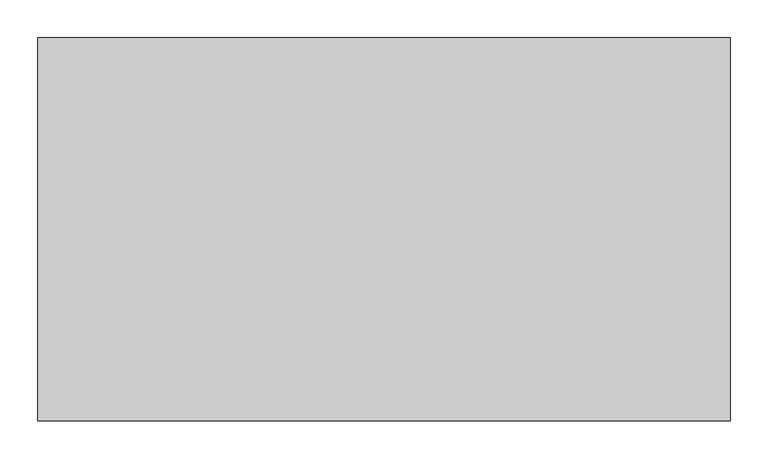
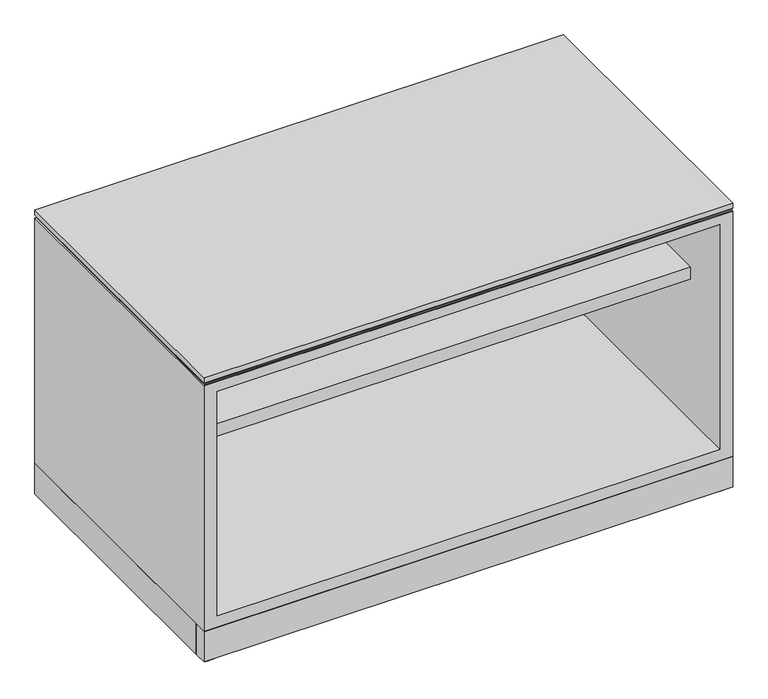
"""IFC4 building model written with IfcOpenShell, lengths in millimetres: furniture geometry."""

import ifcopenshell
import ifcopenshell.guid

model = None  # the IFC model being written
_history = None  # IfcOwnerHistory: only IFC2X3 demands one
_inside = {}  # id of a spatial element -> (the spatial element, [elements in it])
_under = {}  # id of a project, library or spatial element -> (it, [spatial elements below it])
_declared = {}  # id of a project -> (the project, [libraries it declares])
_typed = {}  # id of a type object -> (the type object, [elements of that type])
_made_of = {}  # id of a material, layer set ... -> (it, [elements and type objects made of it])


def new_model(schema):
    """Start an empty IFC model of exactly this schema.

    Asked for "IFC4X3", IfcOpenShell would pick the latest addendum, in which some entities
    have other attributes; the version numbers below select the first issue.
    IFC2X3 requires an IfcOwnerHistory on every rooted entity: one is made here for all.
    """
    global model, _history
    if schema == "IFC4X3":
        model = ifcopenshell.file(schema_version=(4, 3, 0, 0))
    else:
        model = ifcopenshell.file(schema=schema)
    _inside.clear()
    _under.clear()
    _declared.clear()
    _typed.clear()
    _made_of.clear()
    _history = None
    if model.schema == "IFC2X3":
        org = make("IfcOrganization", Name="unknown")
        user = make(
            "IfcPersonAndOrganization",
            ThePerson=make("IfcPerson", FamilyName="unknown"),
            TheOrganization=org,
        )
        app = make(
            "IfcApplication",
            ApplicationDeveloper=org,
            Version="unknown",
            ApplicationFullName="unknown",
            ApplicationIdentifier="unknown",
        )
        _history = make(
            "IfcOwnerHistory",
            OwningUser=user,
            OwningApplication=app,
            ChangeAction="ADDED",
            CreationDate=0,
        )
    return model


def make(cls, **values):
    """One entity of the class cls with the attributes given. An attribute that is None is left unset."""
    return model.create_entity(
        cls, **{name: value for name, value in values.items() if value is not None}
    )


def rooted(cls, **values):
    """An entity with a GlobalId (a new one), such as an element, a storey or a relation."""
    return make(cls, GlobalId=ifcopenshell.guid.new(), OwnerHistory=_history, **values)


def si_unit(unit_type, name, prefix=None):
    """IfcSIUnit, for example si_unit("LENGTHUNIT", "METRE", prefix="MILLI")."""
    return make("IfcSIUnit", UnitType=unit_type, Prefix=prefix, Name=name)


def assignment(units):
    """IfcUnitAssignment: the units of a project."""
    return None if units is None else make("IfcUnitAssignment", Units=units)


def point(xyz):
    """IfcCartesianPoint."""
    return None if xyz is None else make("IfcCartesianPoint", Coordinates=xyz)


def direction(xyz):
    """IfcDirection."""
    return None if xyz is None else make("IfcDirection", DirectionRatios=xyz)


def frame(location, z_axis=None, x_axis=None):
    """IfcAxis2Placement3D, a coordinate frame: its origin and axes. An axis left out is left unset."""
    return make(
        "IfcAxis2Placement3D",
        Location=point(location),
        Axis=direction(z_axis),
        RefDirection=direction(x_axis),
    )


def origin():
    """The frame at (0, 0, 0) with its axes left unset."""
    return frame((0.0, 0.0, 0.0))


def origin_with_axes():
    """The frame at (0, 0, 0) with the z axis (0, 0, 1) and the x axis (1, 0, 0) written out."""
    return frame((0.0, 0.0, 0.0), z_axis=(0.0, 0.0, 1.0), x_axis=(1.0, 0.0, 0.0))


def place(relative_to, where):
    """IfcLocalPlacement: puts the frame where relative to a parent placement (None: the world)."""
    return make(
        "IfcLocalPlacement", PlacementRelTo=relative_to, RelativePlacement=where
    )


def context(
    kind, dimensions, precision=None, world=None, true_north=None, identifier=None
):
    """IfcGeometricRepresentationContext, for example the 3D "Model" context."""
    return make(
        "IfcGeometricRepresentationContext",
        ContextIdentifier=identifier,
        ContextType=kind,
        CoordinateSpaceDimension=dimensions,
        Precision=precision,
        WorldCoordinateSystem=world,
        TrueNorth=true_north,
    )


def project(units=None, contexts=None):
    """IfcProject with its units and contexts."""
    return rooted(
        "IfcProject",
        Name="project",
        RepresentationContexts=contexts,
        UnitsInContext=assignment(units),
    )


def spatial(cls, under=None, at=None, **own):
    """A site, building, storey or space (cls), placed at a placement, below another one or the project."""
    s = rooted(cls, ObjectPlacement=at, **own)
    if under is not None:
        _under.setdefault(under.id(), (under, []))[1].append(s)
    return s


def polyline(points):
    """IfcPolyline through the points."""
    return make("IfcPolyline", Points=[point(p) for p in points])


def outline(outer, holes=None, kind="AREA"):
    """IfcArbitraryClosedProfileDef: a profile drawn as a closed curve; with holes, ...WithVoids."""
    if holes is None:
        return make("IfcArbitraryClosedProfileDef", ProfileType=kind, OuterCurve=outer)
    return make(
        "IfcArbitraryProfileDefWithVoids",
        ProfileType=kind,
        OuterCurve=outer,
        InnerCurves=holes,
    )


def extrude(swept, where, along, depth):
    """IfcExtrudedAreaSolid: the profile swept, set in the frame where, extruded along a direction by depth."""
    return make(
        "IfcExtrudedAreaSolid",
        SweptArea=swept,
        Position=where,
        ExtrudedDirection=direction(along),
        Depth=depth,
    )


def faces_of(points, faces, orient=None, outer=None):
    """IfcFace entities. A face is a list of loops; a loop is a list of indices into points, from 0.

    orient and outer hold one flag for each loop. By default every Orientation is true, the
    first loop of a face is its IfcFaceOuterBound and the others are IfcFaceBound.
    """
    made = []
    for i, loops in enumerate(faces):
        bounds = []
        for j, loop in enumerate(loops):
            is_outer = j == 0 if outer is None else outer[i][j]
            bounds.append(
                make(
                    "IfcFaceOuterBound" if is_outer else "IfcFaceBound",
                    Bound=make("IfcPolyLoop", Polygon=[points[k] for k in loop]),
                    Orientation=True if orient is None else orient[i][j],
                )
            )
        made.append(make("IfcFace", Bounds=bounds))
    return made


def faceted_brep(points, faces, orient=None, outer=None, voids=None):
    """IfcFacetedBrep: a solid bounded by flat faces; with voids (closed shells), ...WithVoids."""
    shared = [point(p) for p in points]
    hull = make("IfcClosedShell", CfsFaces=faces_of(shared, faces, orient, outer))
    if voids is None:
        return make("IfcFacetedBrep", Outer=hull)
    return make(
        "IfcFacetedBrepWithVoids",
        Outer=hull,
        Voids=[
            make(cls, CfsFaces=faces_of(shared, fs, o, b)) for cls, fs, o, b in voids
        ],
    )


def shape(context_of_items, identifier, shape_type, items):
    """IfcShapeRepresentation: the items that make up one representation, for example the "Body"."""
    return make(
        "IfcShapeRepresentation",
        ContextOfItems=context_of_items,
        RepresentationIdentifier=identifier,
        RepresentationType=shape_type,
        Items=items,
    )


def source(mapping_origin, context_of_items, identifier, shape_type, items):
    """IfcRepresentationMap: a shape defined once, which mapped items show again and again."""
    return make(
        "IfcRepresentationMap",
        MappingOrigin=mapping_origin,
        MappedRepresentation=shape(context_of_items, identifier, shape_type, items),
    )


def transform(
    local_origin,
    x_axis=None,
    y_axis=None,
    z_axis=None,
    scale=None,
    scale2=None,
    scale3=None,
    uniform=True,
):
    """IfcCartesianTransformationOperator3D, or its non-uniform kind. x_axis, y_axis, z_axis: its Axis1, 2, 3."""
    if uniform:
        return make(
            "IfcCartesianTransformationOperator3D",
            Axis1=direction(x_axis),
            Axis2=direction(y_axis),
            LocalOrigin=point(local_origin),
            Scale=scale,
            Axis3=direction(z_axis),
        )
    return make(
        "IfcCartesianTransformationOperator3DnonUniform",
        Axis1=direction(x_axis),
        Axis2=direction(y_axis),
        LocalOrigin=point(local_origin),
        Scale=scale,
        Axis3=direction(z_axis),
        Scale2=scale2,
        Scale3=scale3,
    )


def mapped(mapping_source, mapping_target):
    """IfcMappedItem: shows the shape of a source again, moved by a transform."""
    return make(
        "IfcMappedItem", MappingSource=mapping_source, MappingTarget=mapping_target
    )


def made_of(thing, what):
    """Note that an element or type object is made of a material, layer set ...; save() writes the relation."""
    if what is not None:
        _made_of.setdefault(what.id(), (what, []))[1].append(thing)
    return thing


def element(
    cls,
    number,
    at=None,
    inside=None,
    cuts=None,
    type_object=None,
    material=None,
    context=None,
    identifier="Body",
    shape_type=None,
    held_by="IfcProductDefinitionShape",
    body=None,
    shapes=None,
    **own,
):
    """One element of the class cls, such as IfcWall. Its Tag is "e" and its number.

    at: its placement. inside: the storey or other place that contains it. cuts: it is an
    opening in that element (IfcRelVoidsElement). A single representation is given by context,
    identifier, shape_type and body (its items); several are given by shapes. held_by: the class
    of the entity that holds the representations. save() writes the other relations.
    """
    e = rooted(cls, Tag="e%d" % number, ObjectPlacement=at, **own)
    if body is not None:
        shapes = [shape(context, identifier, shape_type, body)]
    if shapes is not None:
        e.Representation = make(held_by, Representations=shapes)
    if inside is not None:
        _inside.setdefault(inside.id(), (inside, []))[1].append(e)
    if cuts is not None:
        rooted(
            "IfcRelVoidsElement", RelatingBuildingElement=cuts, RelatedOpeningElement=e
        )
    if type_object is not None:
        _typed.setdefault(type_object.id(), (type_object, []))[1].append(e)
    return made_of(e, material)


def aggregate(whole, parts):
    """IfcRelAggregates: a whole, such as a stair, and the parts it consists of."""
    return rooted("IfcRelAggregates", RelatingObject=whole, RelatedObjects=parts)


def save(model, path):
    """Write the relations noted so far, then the file.

    IfcRelAggregates (storeys below a building ...), IfcRelContainedInSpatialStructure (elements
    in a storey), IfcRelDefinesByType, IfcRelAssociatesMaterial and IfcRelDeclares: one each for
    every whole, place, type object, material and project.
    """
    for whole, parts in _under.values():
        aggregate(whole, parts)
    for where, things in _inside.values():
        rooted(
            "IfcRelContainedInSpatialStructure",
            RelatedElements=things,
            RelatingStructure=where,
        )
    for kind, things in _typed.values():
        rooted("IfcRelDefinesByType", RelatedObjects=things, RelatingType=kind)
    for what, things in _made_of.values():
        rooted("IfcRelAssociatesMaterial", RelatedObjects=things, RelatingMaterial=what)
    for by, libraries in _declared.values():
        rooted("IfcRelDeclares", RelatingContext=by, RelatedDefinitions=libraries)
    model.write(path)


def furniture_88f04772(model_context):
    return source(origin(), model_context, "Body", "SolidModel", [
        extrude(outline(polyline([(21.2979, -5.715), (21.2979, -52.197), (6.5659, -52.197), (6.5659, -5.715), (21.2979, -5.715)])), origin_with_axes(), (0.0, 0.0, 1.0), 17.399),
        extrude(outline(polyline([(907.8341, -5.715), (907.8341, -52.197), (893.1021, -52.197), (893.1021, -5.715), (907.8341, -5.715)])), origin_with_axes(), (0.0, 0.0, 1.0), 17.399),
        extrude(outline(polyline([(907.8341, -456.057), (907.8341, -502.539), (893.1021, -502.539), (893.1021, -456.057), (907.8341, -456.057)])), origin_with_axes(), (0.0, 0.0, 1.0), 17.399),
        extrude(outline(polyline([(21.2979, -456.057), (21.2979, -502.539), (6.5659, -502.539), (6.5659, -456.057), (21.2979, -456.057)])), origin_with_axes(), (0.0, 0.0, 1.0), 17.399),
        extrude(outline(polyline([(912.114, -504.444), (3.8735, -504.444), (3.8735, -2.3114), (912.114, -2.3114), (912.114, -504.444)])), frame((0.0, 0.0, 506.4252), z_axis=(0.0, 0.0, 1.0), x_axis=(1.0, 0.0, 0.0)), (0.0, 0.0, 1.0), 1.905),
        extrude(outline(polyline([(912.8125, -483.2858), (912.8125, -506.349), (1.5875, -506.349), (1.5875, -483.2858), (912.8125, -483.2858)])), frame((0.0, 0.0, 3.5814), z_axis=(0.0, 0.0, 1.0), x_axis=(1.0, 0.0, 0.0)), (0.0, 0.0, 1.0), 55.1688),
        extrude(outline(polyline([(46.1772, -27.7114), (61.8363, -36.7521856), (61.8363, -54.8337568), (46.1772, -63.8745424), (30.5181, -54.8337568), (30.5181, -36.7521856), (46.1772, -27.7114)])), origin_with_axes(), (0.0, 0.0, 1.0), 8.4328),
        extrude(outline(polyline([(46.1772, -480.1616), (30.5181, -471.1208144), (30.5181, -453.0392432), (46.1772, -443.9984576), (61.8363, -453.0392432), (61.8363, -471.1208144), (46.1772, -480.1616)])), origin_with_axes(), (0.0, 0.0, 1.0), 8.4328),
        extrude(outline(polyline([(868.2228, -27.7114), (883.8819, -36.7521856), (883.8819, -54.8337568), (868.2228, -63.8745424), (852.5637, -54.8337568), (852.5637, -36.7521856), (868.2228, -27.7114)])), origin_with_axes(), (0.0, 0.0, 1.0), 8.4328),
        extrude(outline(polyline([(868.2228, -480.1616), (852.5637, -471.1208144), (852.5637, -453.0392432), (868.2228, -443.9984576), (883.8819, -453.0392432), (883.8819, -471.1208144), (868.2228, -480.1616)])), origin_with_axes(), (0.0, 0.0, 1.0), 8.4328),
        extrude(outline(polyline([(912.8125, -506.349), (1.5875, -506.349), (1.5875, -1.524), (912.8125, -1.524), (912.8125, -506.349)])), frame((0.0, 0.0, 511.5052), z_axis=(0.0, 0.0, 1.0), x_axis=(1.0, 0.0, 0.0)), (0.0, 0.0, 1.0), 9.525),
        extrude(outline(polyline([(890.5875, -419.2524), (23.8125, -419.2524), (23.8125, -23.749), (890.5875, -23.749), (890.5875, -419.2524)])), frame((0.0, 0.0, 336.7532), z_axis=(0.0, 0.0, 1.0), x_axis=(1.0, 0.0, 0.0)), (0.0, 0.0, 1.0), 22.225),
        extrude(outline(polyline([(912.8125, -1.524), (912.8125, -483.2858), (1.5875, -483.2858), (1.5875, -1.524), (912.8125, -1.524)])), frame((0.0, 0.0, 3.5814), z_axis=(0.0, 0.0, 1.0), x_axis=(1.0, 0.0, 0.0)), (0.0, 0.0, 1.0), 55.1688),
        faceted_brep([(912.8125, -506.349, 506.4252), (1.5875, -506.349, 506.4252), (1.5875, -506.349, 58.7502), (912.8125, -506.349, 58.7502), (23.8125, -506.349, 488.95), (890.5875, -506.349, 488.95), (890.5875, -506.349, 79.4004), (23.8125, -506.349, 79.4004), (912.8125, -1.524, 506.4252), (912.8125, -1.524, 58.7502), (1.5875, -1.524, 58.7502), (1.5875, -1.524, 506.4252), (890.5875, -23.749, 488.95), (23.8125, -23.749, 488.95), (23.8125, -23.749, 79.4004), (890.5875, -23.749, 79.4004)], [[[0, 1, 2, 3], [4, 5, 6, 7]], [[8, 9, 10, 11]], [[1, 0, 8, 11]], [[2, 1, 11, 10]], [[3, 2, 10, 9]], [[0, 3, 9, 8]], [[12, 13, 14, 15]], [[13, 12, 5, 4]], [[14, 13, 4, 7]], [[15, 14, 7, 6]], [[12, 15, 6, 5]]]),
    ])


if __name__ == "__main__":
    model = new_model("IFC4")
    model_context = context("Model", 3, world=origin())
    ifc_project = project(units=[si_unit("LENGTHUNIT", "METRE", prefix="MILLI")], contexts=[model_context])
    site = spatial("IfcSite", under=ifc_project)
    building = spatial("IfcBuilding", under=site)
    placement = place(None, origin())
    furniture_shape = furniture_88f04772(model_context)
    element("IfcFurniture", 1, at=placement, inside=building, context=model_context, shape_type="MappedRepresentation", body=[
        mapped(furniture_shape, transform((0.0, 0.0, 0.0), x_axis=(1.0, 0.0, 0.0), y_axis=(0.0, 1.0, 0.0), z_axis=(0.0, 0.0, 1.0))),
    ])
    save(model, "model.ifc")
